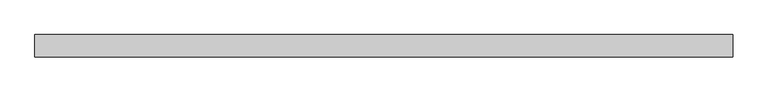
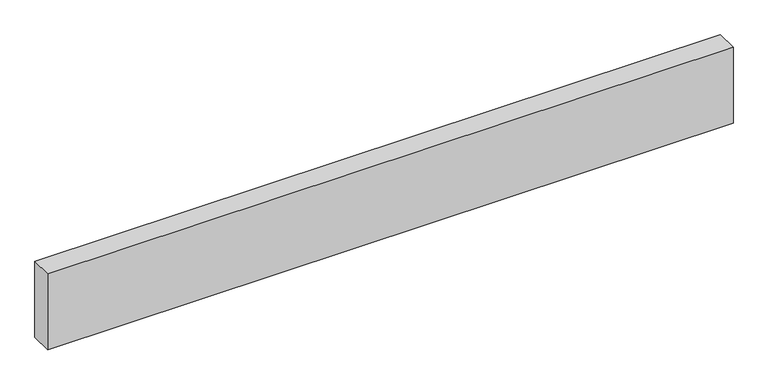
"""IFC4 building model written with IfcOpenShell, lengths in millimetres: beam geometry."""

from ifc_helpers import new_model, si_unit, frame, origin, place, context, project, spatial, polyline, outline, extrude, source, transform, mapped, element, save


def beam_72e49880(model_context):
    return source(origin(), model_context, "Body", "SweptSolid", [
        extrude(outline(polyline([(596.4039062, -19.05), (-596.4039063, -19.05), (-596.4039063, 19.05), (596.4039062, 19.05), (596.4039062, -19.05)])), frame((0.0, 0.0, -69.85), z_axis=(0.0, 0.0, 1.0), x_axis=(1.0, 0.0, 0.0)), (0.0, 0.0, 1.0), 139.7),
    ])


if __name__ == "__main__":
    model = new_model("IFC4")
    model_context = context("Model", 3, world=origin())
    ifc_project = project(units=[si_unit("LENGTHUNIT", "METRE", prefix="MILLI")], contexts=[model_context])
    site = spatial("IfcSite", under=ifc_project)
    building = spatial("IfcBuilding", under=site)
    placement = place(None, origin())
    beam_shape = beam_72e49880(model_context)
    element("IfcBeam", 1, at=placement, inside=building, context=model_context, shape_type="MappedRepresentation", body=[
        mapped(beam_shape, transform((0.0, 0.0, 0.0), x_axis=(1.0, 0.0, 0.0), y_axis=(0.0, 1.0, 0.0), z_axis=(0.0, 0.0, 1.0))),
    ])
    save(model, "model.ifc")
